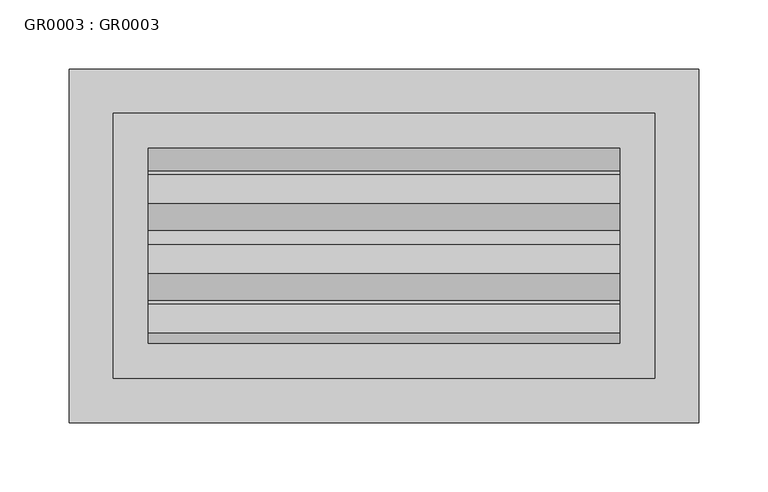
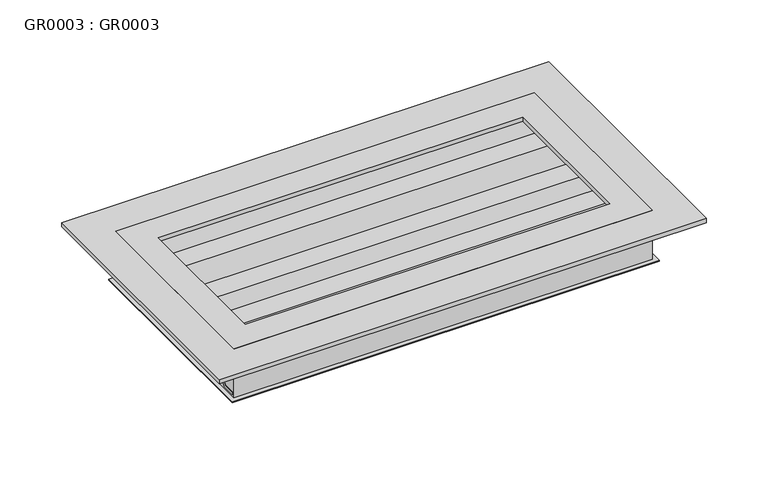
"""IFC4 building model written with IfcOpenShell, lengths in millimetres: proxy geometry, GR0003 : GR0003."""

from ifc_helpers import new_model, si_unit, frame, origin, origin_with_axes, place, context, project, spatial, polyline, outline, extrude, source, transform, mapped, element, save


def gr0003_gr0003_ae47b578(model_context):
    return source(origin(), model_context, "Body", "SweptSolid", [
        extrude(outline(polyline([(199.9996, 99.9998), (199.9996, -99.9998), (-199.9996, -99.9998), (-199.9996, 99.9998), (199.9996, 99.9998)]), holes=[polyline([(195.9991, 95.9993), (-195.9991, 95.9993), (-195.9991, -95.9993), (195.9991, -95.9993), (195.9991, 95.9993)])]), frame((0.0, 0.0, -45.72), z_axis=(0.0, 0.0, 1.0), x_axis=(1.0, 0.0, 0.0)), (0.0, 0.0, 1.0), 1.27),
        extrude(outline(polyline([(94.2994788, -3.2126497), (75.2494788, -3.2126497), (55.8799837, -42.926), (40.1463808, -42.926), (40.1463808, -40.2852007), (54.315471, -40.2852007), (73.7223071, -0.4952899), (94.2994788, -0.4952899), (94.2994788, -3.2126497)])), frame((-195.9991, 0.0, 0.0), z_axis=(1.0, 0.0, 0.0), x_axis=(0.0, 1.0, 0.0)), (0.0, 0.0, 1.0), 389.4582),
        extrude(outline(polyline([(51.4369788, -3.2126497), (32.3869788, -3.2126497), (13.0174837, -42.926), (-2.7161192, -42.926), (-2.7161192, -40.2852007), (11.452971, -40.2852007), (30.8598071, -0.4952899), (51.4369788, -0.4952899), (51.4369788, -3.2126497)])), frame((-195.9991, 0.0, 0.0), z_axis=(1.0, 0.0, 0.0), x_axis=(0.0, 1.0, 0.0)), (0.0, 0.0, 1.0), 389.4582),
        extrude(outline(polyline([(0.6369788, -3.2126497), (-18.4130212, -3.2126497), (-37.7825163, -42.926), (-53.5161192, -42.926), (-53.5161192, -40.2852007), (-39.347029, -40.2852007), (-19.9401929, -0.4952899), (0.6369788, -0.4952899), (0.6369788, -3.2126497)])), frame((-195.9991, 0.0, 0.0), z_axis=(1.0, 0.0, 0.0), x_axis=(0.0, 1.0, 0.0)), (0.0, 0.0, 1.0), 389.4582),
        extrude(outline(polyline([(-42.2255212, -3.2126497), (-61.2755212, -3.2126497), (-80.6450163, -42.926), (-93.5763449, -42.926), (-93.5763449, -40.2852007), (-82.209529, -40.2852007), (-62.8026929, -0.4952899), (-42.2255212, -0.4952899), (-42.2255212, -3.2126497)])), frame((-195.9991, 0.0, 0.0), z_axis=(1.0, 0.0, 0.0), x_axis=(0.0, 1.0, 0.0)), (0.0, 0.0, 1.0), 389.4582),
        extrude(outline(polyline([(195.9991, 95.9993), (195.9991, -95.9993), (-195.9991, -95.9993), (-195.9991, 95.9993), (195.9991, 95.9993)]), holes=[polyline([(193.4591, 93.4593), (-193.4591, 93.4593), (-193.4591, -93.4593), (193.4591, -93.4593), (193.4591, 93.4593)])]), frame((0.0, 0.0, -44.45), z_axis=(0.0, 0.0, 1.0), x_axis=(1.0, 0.0, 0.0)), (0.0, 0.0, 1.0), 44.45),
        extrude(outline(polyline([(195.9991, 95.9993), (195.9991, -95.9993), (-195.9991, -95.9993), (-195.9991, 95.9993), (195.9991, 95.9993)]), holes=[polyline([(170.5991, 70.5993), (-170.5991, 70.5993), (-170.5991, -70.5993), (170.5991, -70.5993), (170.5991, 70.5993)])]), origin_with_axes(), (0.0, 0.0, 1.0), 4.064),
        extrude(outline(polyline([(228.0031, 128.0033), (228.0031, -128.0033), (-228.0031, -128.0033), (-228.0031, 128.0033), (228.0031, 128.0033)]), holes=[polyline([(195.9991, 95.9993), (-195.9991, 95.9993), (-195.9991, -95.9993), (195.9991, -95.9993), (195.9991, 95.9993)])]), origin_with_axes(), (0.0, 0.0, 1.0), 4.064),
    ])


if __name__ == "__main__":
    model = new_model("IFC4")
    model_context = context("Model", 3, world=origin())
    ifc_project = project(units=[si_unit("LENGTHUNIT", "METRE", prefix="MILLI")], contexts=[model_context])
    site = spatial("IfcSite", under=ifc_project)
    building = spatial("IfcBuilding", under=site)
    placement = place(None, origin())
    gr0003_gr0003_shape = gr0003_gr0003_ae47b578(model_context)
    element("IfcBuildingElementProxy", 1, Name="GR0003 : GR0003", ObjectType="GR0003 : GR0003", at=placement, inside=building, context=model_context, shape_type="MappedRepresentation", body=[
        mapped(gr0003_gr0003_shape, transform((0.0, 0.0, 0.0), x_axis=(1.0, 0.0, 0.0), y_axis=(0.0, 1.0, 0.0), z_axis=(0.0, 0.0, 1.0))),
    ])
    save(model, "model.ifc")
